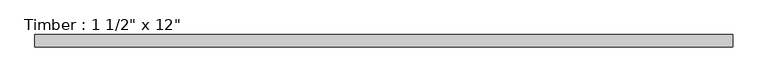
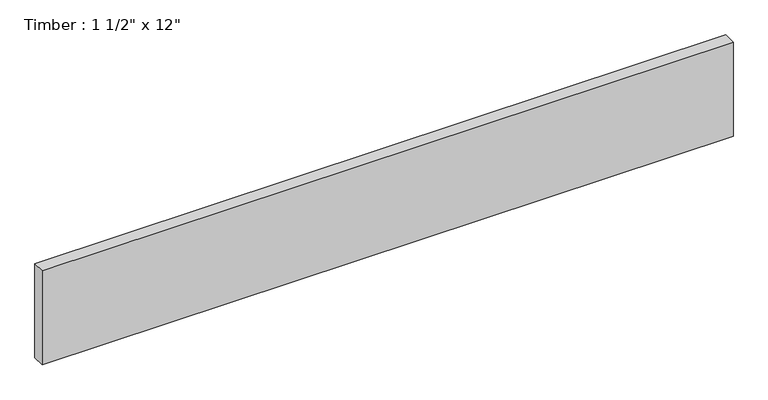
"""IFC4 building model written with IfcOpenShell, lengths in millimetres: beam geometry."""

from ifc_helpers import new_model, si_unit, frame, origin, place, context, project, spatial, polyline, outline, extrude, source, transform, mapped, element, save


def beam_52568b04(model_context):
    return source(origin(), model_context, "Body", "SweptSolid", [
        extrude(outline(polyline([(1058.8280942, 19.05), (1058.8280942, -19.05), (-1058.8280942, -19.05), (-1058.8280942, 19.05), (1058.8280942, 19.05)])), frame((0.0, 0.0, -152.4), z_axis=(0.0, 0.0, 1.0), x_axis=(1.0, 0.0, 0.0)), (0.0, 0.0, 1.0), 304.8),
    ])


if __name__ == "__main__":
    model = new_model("IFC4")
    model_context = context("Model", 3, world=origin())
    ifc_project = project(units=[si_unit("LENGTHUNIT", "METRE", prefix="MILLI")], contexts=[model_context])
    site = spatial("IfcSite", under=ifc_project)
    building = spatial("IfcBuilding", under=site)
    placement = place(None, origin())
    beam_shape = beam_52568b04(model_context)
    element("IfcBeam", 1, ObjectType="Timber : 1 1/2\" x 12\"", at=placement, inside=building, context=model_context, shape_type="MappedRepresentation", body=[
        mapped(beam_shape, transform((0.0, 0.0, 0.0), x_axis=(1.0, 0.0, 0.0), y_axis=(0.0, 1.0, 0.0), z_axis=(0.0, 0.0, 1.0))),
    ])
    save(model, "model.ifc")
